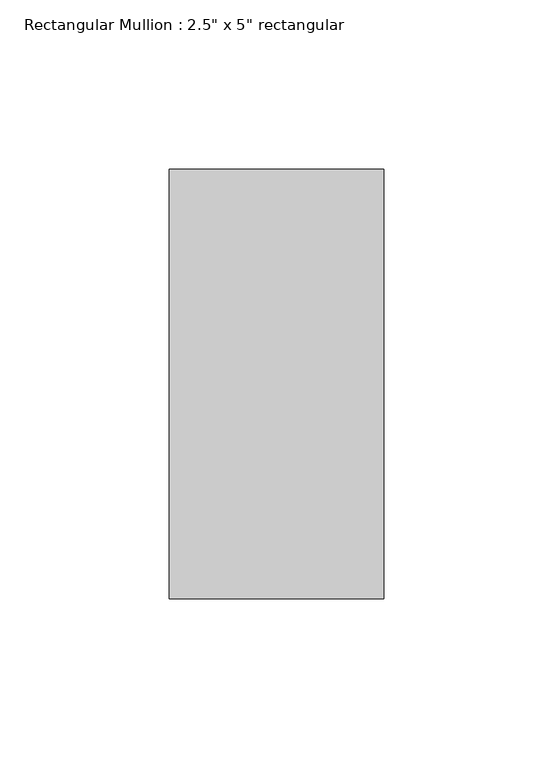
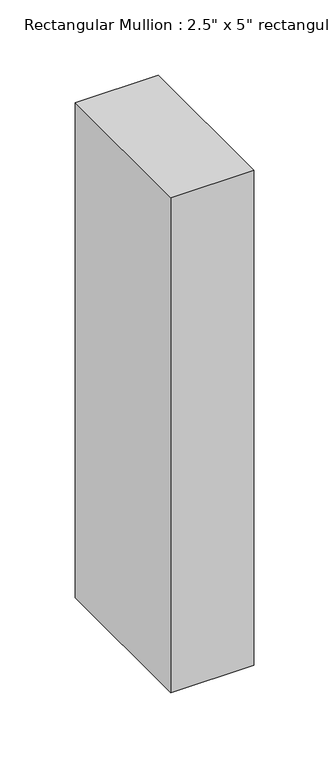
"""IFC4 building model written with IfcOpenShell, lengths in millimetres: member geometry."""

from ifc_helpers import new_model, si_unit, frame, origin, place, context, project, spatial, polyline, outline, extrude, source, transform, mapped, element, save


def member_25580aca(model_context):
    return source(origin(), model_context, "Body", "SweptSolid", [
        extrude(outline(polyline([(31.75, 63.5), (31.75, -63.5), (-31.75, -63.5), (-31.75, 63.5), (31.75, 63.5)])), frame((0.0, 0.0, -401.4078722), z_axis=(0.0, 0.0, 1.0), x_axis=(1.0, 0.0, 0.0)), (0.0, 0.0, 1.0), 401.4078722),
    ])


if __name__ == "__main__":
    model = new_model("IFC4")
    model_context = context("Model", 3, world=origin())
    ifc_project = project(units=[si_unit("LENGTHUNIT", "METRE", prefix="MILLI")], contexts=[model_context])
    site = spatial("IfcSite", under=ifc_project)
    building = spatial("IfcBuilding", under=site)
    placement = place(None, origin())
    member_shape = member_25580aca(model_context)
    element("IfcMember", 1, ObjectType="Rectangular Mullion : 2.5\" x 5\" rectangular", at=placement, inside=building, context=model_context, shape_type="MappedRepresentation", body=[
        mapped(member_shape, transform((0.0, 0.0, 0.0), x_axis=(1.0, 0.0, 0.0), y_axis=(0.0, 1.0, 0.0), z_axis=(0.0, 0.0, 1.0))),
    ])
    save(model, "model.ifc")
